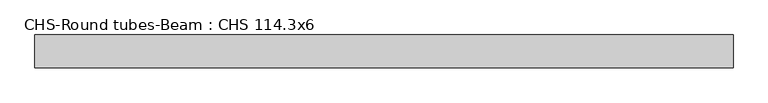
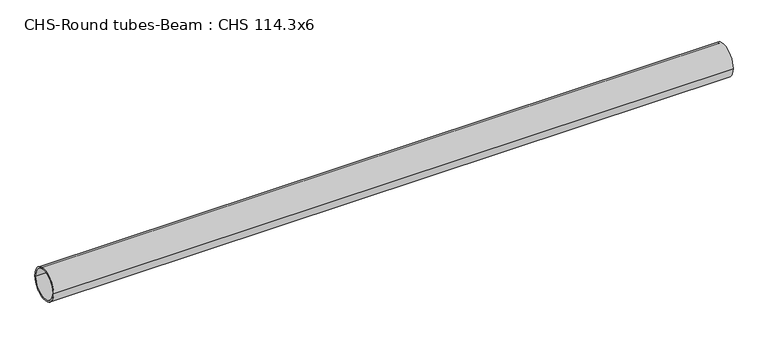
"""IFC4 building model written with IfcOpenShell, lengths in millimetres: beam geometry, CHS-Round tubes-Beam : CHS 114.3x6."""

from ifc_helpers import new_model, si_unit, point, frame, origin, origin_2d, place, context, project, spatial, circle_curve, trimmed, segment, composite_curve, outline, extrude, source, transform, mapped, element, save


def chs_round_tubes_beam_chs_114_3x6_2afbe8a5(model_context):
    return source(origin(), model_context, "Body", "SweptSolid", [
        extrude(outline(composite_curve([segment(trimmed(circle_curve(origin_2d(), 57.15), [point((57.15, 0.0))], [point((-57.15, 0.0))], False, "CARTESIAN"), True, "CONTINUOUS"), segment(trimmed(circle_curve(origin_2d(), 57.15), [point((-57.15, 0.0))], [point((57.15, 0.0))], False, "CARTESIAN"), True, "CONTINUOUS")], self_intersect=False), holes=[composite_curve([segment(trimmed(circle_curve(origin_2d(), 51.15), [point((51.15, 0.0))], [point((-51.15, 0.0))], True, "CARTESIAN"), True, "CONTINUOUS"), segment(trimmed(circle_curve(origin_2d(), 51.15), [point((-51.15, 0.0))], [point((51.15, 0.0))], True, "CARTESIAN"), True, "CONTINUOUS")], self_intersect=False)]), frame((-1205.6402232, 0.0, 0.0), z_axis=(1.0, 0.0, 0.0), x_axis=(0.0, 1.0, 0.0)), (0.0, 0.0, 1.0), 2415.4982531),
    ])


if __name__ == "__main__":
    model = new_model("IFC4")
    model_context = context("Model", 3, world=origin())
    ifc_project = project(units=[si_unit("LENGTHUNIT", "METRE", prefix="MILLI")], contexts=[model_context])
    site = spatial("IfcSite", under=ifc_project)
    building = spatial("IfcBuilding", under=site)
    placement = place(None, origin())
    chs_round_tubes_beam_chs_114_3x6_shape = chs_round_tubes_beam_chs_114_3x6_2afbe8a5(model_context)
    element("IfcBeam", 1, ObjectType="CHS-Round tubes-Beam : CHS 114.3x6", at=placement, inside=building, context=model_context, shape_type="MappedRepresentation", body=[
        mapped(chs_round_tubes_beam_chs_114_3x6_shape, transform((0.0, 0.0, 0.0), x_axis=(1.0, 0.0, 0.0), y_axis=(0.0, 1.0, 0.0), z_axis=(0.0, 0.0, 1.0))),
    ])
    save(model, "model.ifc")
